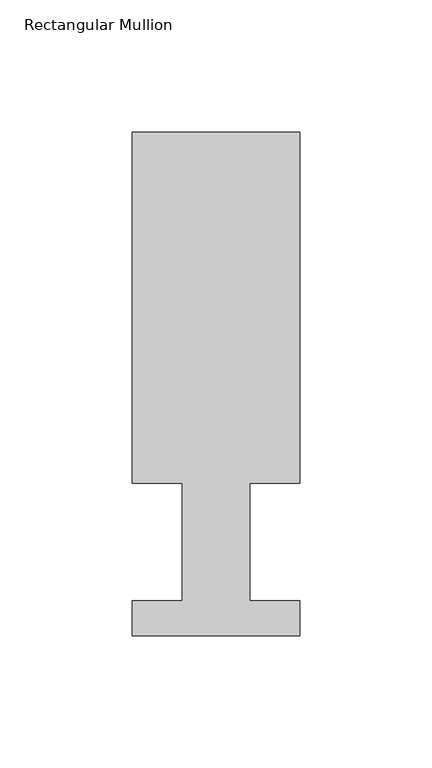
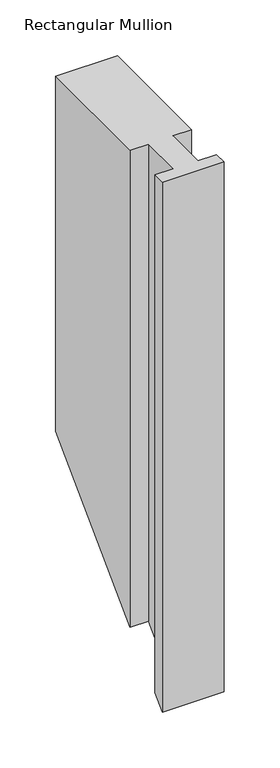
"""IFC4 building model written with IfcOpenShell, lengths in millimetres: member geometry, Rectangular Mullion."""

from ifc_helpers import new_model, si_unit, origin, place, context, project, spatial, faceted_brep, source, transform, mapped, element, save


def rectangular_mullion_a1332845(model_context):
    return source(origin(), model_context, "Body", "Brep", [
        faceted_brep([(-63.5, 190.5896938, 0.0), (-63.5, 57.6460937, 0.0), (-44.45, 57.6460937, 0.0), (-44.45, 13.1960938, 0.0), (-63.5, 13.1960938, 0.0), (-63.5, 0.0134938, 0.0), (0.0, 0.0134938, 0.0), (0.0, 13.1960938, 0.0), (-19.0373, 13.1960938, 0.0), (-19.0373, 57.6460937, 0.0), (0.0, 57.6460937, 0.0), (0.0, 190.5896938, 0.0), (-63.5, 190.5896938, -387.2603062), (-63.5, 57.6460937, -520.2039062), (-44.45, 57.6460937, -520.2039062), (-44.45, 13.1960938, -564.6539062), (-63.5, 13.1960938, -564.6539062), (-63.5, 0.0134938, -577.8365062), (0.0, 0.0134938, -577.8365062), (0.0, 13.1960938, -564.6539062), (-19.0373, 13.1960938, -564.6539062), (-19.0373, 57.6460937, -520.2039062), (0.0, 57.6460937, -520.2039062), (0.0, 190.5896938, -387.2603062)], [[[0, 1, 2, 3, 4, 5, 6, 7, 8, 9, 10, 11]], [[1, 0, 12, 13]], [[2, 1, 13, 14]], [[3, 2, 14, 15]], [[4, 3, 15, 16]], [[5, 4, 16, 17]], [[6, 5, 17, 18]], [[7, 6, 18, 19]], [[8, 7, 19, 20]], [[9, 8, 20, 21]], [[10, 9, 21, 22]], [[11, 10, 22, 23]], [[0, 11, 23, 12]], [[12, 23, 22, 21, 20, 19, 18, 17, 16, 15, 14, 13]]]),
    ])


if __name__ == "__main__":
    model = new_model("IFC4")
    model_context = context("Model", 3, world=origin())
    ifc_project = project(units=[si_unit("LENGTHUNIT", "METRE", prefix="MILLI")], contexts=[model_context])
    site = spatial("IfcSite", under=ifc_project)
    building = spatial("IfcBuilding", under=site)
    placement = place(None, origin())
    rectangular_mullion_shape = rectangular_mullion_a1332845(model_context)
    element("IfcMember", 1, ObjectType="Rectangular Mullion", at=placement, inside=building, context=model_context, shape_type="MappedRepresentation", body=[
        mapped(rectangular_mullion_shape, transform((0.0, 0.0, 0.0), x_axis=(1.0, 0.0, 0.0), y_axis=(0.0, 1.0, 0.0), z_axis=(0.0, 0.0, 1.0))),
    ])
    save(model, "model.ifc")
